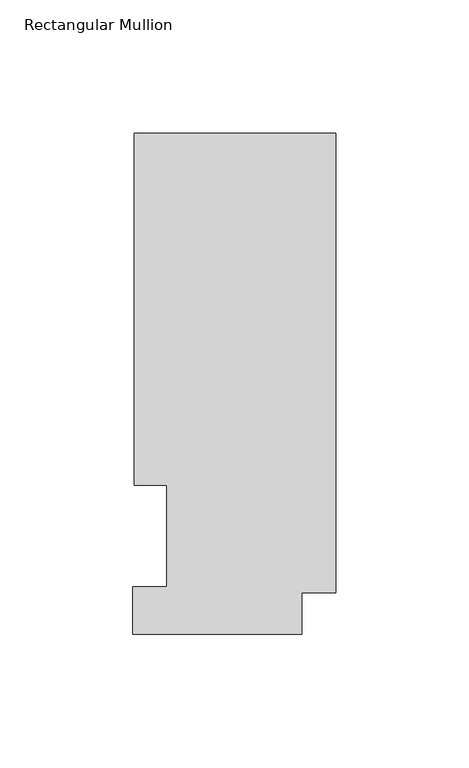
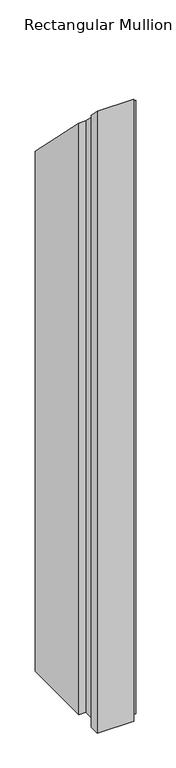
"""IFC4 building model written with IfcOpenShell, lengths in millimetres: member geometry, Rectangular Mullion."""

from ifc_helpers import new_model, si_unit, origin, place, context, project, spatial, faceted_brep, source, transform, mapped, element, save


def rectangular_mullion_0deb72d0(model_context):
    return source(origin(), model_context, "Body", "Brep", [
        faceted_brep([(-12.7, 0.5199063, -1148.765117), (-76.2, 0.5199063, -1148.765117), (-76.2, 18.5539063, -1148.765117), (-63.5, 18.5539062, -1148.765117), (-63.5, 56.6539062, -1148.765117), (-75.7936, 56.6539063, -1148.765117), (-75.7936, 189.0895063, -1148.765117), (0.0, 189.0895063, -1148.765117), (0.0, 16.1663063, -1148.765117), (-12.7, 16.1663063, -1148.765117), (-12.7, 16.1663063, -16.1663063), (-12.7, 0.5199063, -0.5199063), (0.0, 16.1663063, -16.1663063), (0.0, 189.0895063, -189.0895063), (-75.7936, 189.0895063, -189.0895063), (-75.7936, 56.6539063, -56.6539063), (-63.5, 56.6539062, -56.6539063), (-63.5, 18.5539062, -18.5539062), (-76.2, 18.5539063, -18.5539063), (-76.2, 0.5199063, -0.5199063)], [[[0, 1, 2, 3, 4, 5, 6, 7, 8, 9]], [[10, 11, 0, 9]], [[12, 10, 9, 8]], [[13, 12, 8, 7]], [[14, 13, 7, 6]], [[15, 14, 6, 5]], [[16, 15, 5, 4]], [[17, 16, 4, 3]], [[18, 17, 3, 2]], [[19, 18, 2, 1]], [[11, 19, 1, 0]], [[11, 10, 12, 13, 14, 15, 16, 17, 18, 19]]]),
    ])


if __name__ == "__main__":
    model = new_model("IFC4")
    model_context = context("Model", 3, world=origin())
    ifc_project = project(units=[si_unit("LENGTHUNIT", "METRE", prefix="MILLI")], contexts=[model_context])
    site = spatial("IfcSite", under=ifc_project)
    building = spatial("IfcBuilding", under=site)
    placement = place(None, origin())
    rectangular_mullion_shape = rectangular_mullion_0deb72d0(model_context)
    element("IfcMember", 1, ObjectType="Rectangular Mullion", at=placement, inside=building, context=model_context, shape_type="MappedRepresentation", body=[
        mapped(rectangular_mullion_shape, transform((0.0, 0.0, 0.0), x_axis=(1.0, 0.0, 0.0), y_axis=(0.0, 1.0, 0.0), z_axis=(0.0, 0.0, 1.0))),
    ])
    save(model, "model.ifc")
